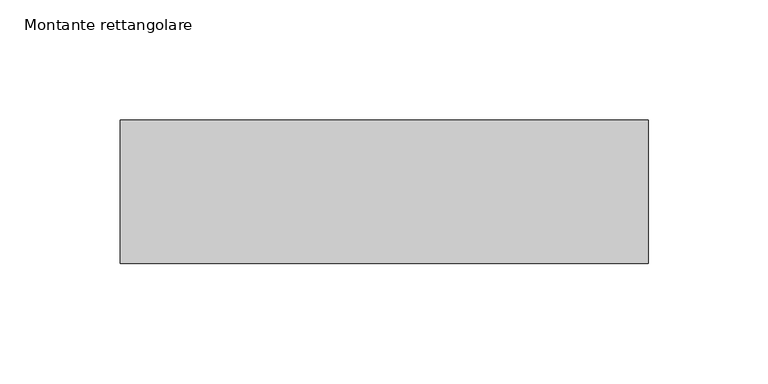
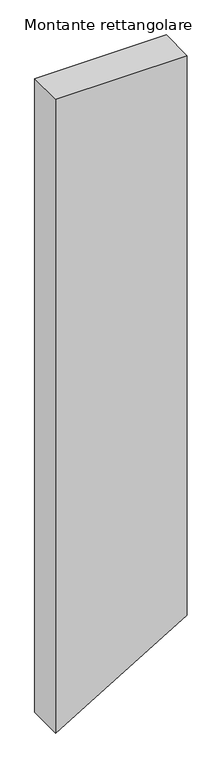
"""IFC4 building model written with IfcOpenShell, lengths in millimetres: member geometry, Montante rettangolare."""

from ifc_helpers import new_model, si_unit, frame, origin, place, context, project, spatial, polyline, outline, extrude, source, transform, mapped, element, save


def montante_rettangolare_8b839f7e(model_context):
    return source(origin(), model_context, "Body", "SweptSolid", [
        extrude(outline(polyline([(0.0, 110.0), (0.0, -110.0), (-1119.1729891, -110.0), (-1084.1237095, -51.2042865), (-988.0266683, 110.0), (0.0, 110.0)])), frame((0.0, -30.0, 0.0), z_axis=(0.0, 1.0, 0.0), x_axis=(0.0, 0.0, 1.0)), (0.0, 0.0, 1.0), 60.0),
    ])


if __name__ == "__main__":
    model = new_model("IFC4")
    model_context = context("Model", 3, world=origin())
    ifc_project = project(units=[si_unit("LENGTHUNIT", "METRE", prefix="MILLI")], contexts=[model_context])
    site = spatial("IfcSite", under=ifc_project)
    building = spatial("IfcBuilding", under=site)
    placement = place(None, origin())
    montante_rettangolare_shape = montante_rettangolare_8b839f7e(model_context)
    element("IfcMember", 1, ObjectType="Montante rettangolare", at=placement, inside=building, context=model_context, shape_type="MappedRepresentation", body=[
        mapped(montante_rettangolare_shape, transform((0.0, 0.0, 0.0), x_axis=(1.0, 0.0, 0.0), y_axis=(0.0, 1.0, 0.0), z_axis=(0.0, 0.0, 1.0))),
    ])
    save(model, "model.ifc")
